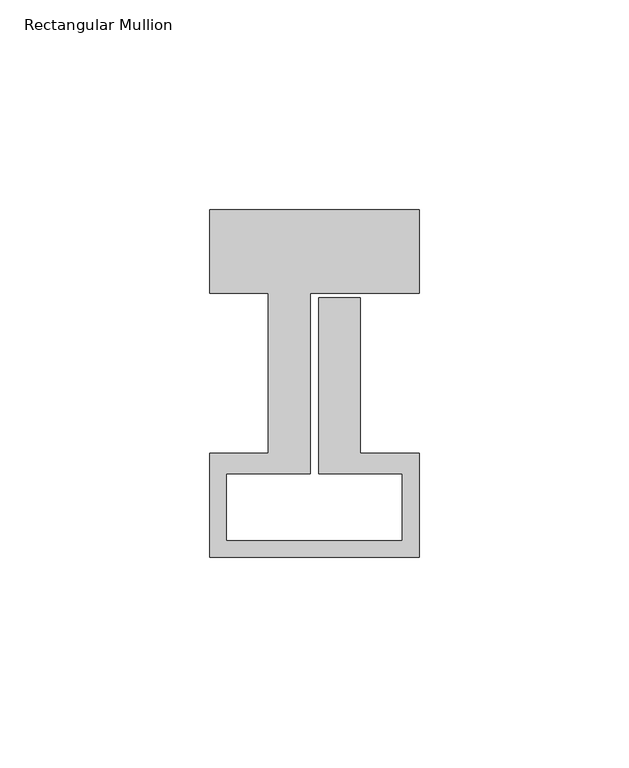
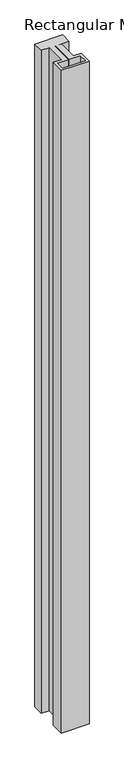
"""IFC4 building model written with IfcOpenShell, lengths in millimetres: member geometry, Rectangular Mullion."""

import ifcopenshell
import ifcopenshell.guid

model = None  # the IFC model being written
_history = None  # IfcOwnerHistory: only IFC2X3 demands one
_inside = {}  # id of a spatial element -> (the spatial element, [elements in it])
_under = {}  # id of a project, library or spatial element -> (it, [spatial elements below it])
_declared = {}  # id of a project -> (the project, [libraries it declares])
_typed = {}  # id of a type object -> (the type object, [elements of that type])
_made_of = {}  # id of a material, layer set ... -> (it, [elements and type objects made of it])


def new_model(schema):
    """Start an empty IFC model of exactly this schema.

    Asked for "IFC4X3", IfcOpenShell would pick the latest addendum, in which some entities
    have other attributes; the version numbers below select the first issue.
    IFC2X3 requires an IfcOwnerHistory on every rooted entity: one is made here for all.
    """
    global model, _history
    if schema == "IFC4X3":
        model = ifcopenshell.file(schema_version=(4, 3, 0, 0))
    else:
        model = ifcopenshell.file(schema=schema)
    _inside.clear()
    _under.clear()
    _declared.clear()
    _typed.clear()
    _made_of.clear()
    _history = None
    if model.schema == "IFC2X3":
        org = make("IfcOrganization", Name="unknown")
        user = make(
            "IfcPersonAndOrganization",
            ThePerson=make("IfcPerson", FamilyName="unknown"),
            TheOrganization=org,
        )
        app = make(
            "IfcApplication",
            ApplicationDeveloper=org,
            Version="unknown",
            ApplicationFullName="unknown",
            ApplicationIdentifier="unknown",
        )
        _history = make(
            "IfcOwnerHistory",
            OwningUser=user,
            OwningApplication=app,
            ChangeAction="ADDED",
            CreationDate=0,
        )
    return model


def make(cls, **values):
    """One entity of the class cls with the attributes given. An attribute that is None is left unset."""
    return model.create_entity(
        cls, **{name: value for name, value in values.items() if value is not None}
    )


def rooted(cls, **values):
    """An entity with a GlobalId (a new one), such as an element, a storey or a relation."""
    return make(cls, GlobalId=ifcopenshell.guid.new(), OwnerHistory=_history, **values)


def si_unit(unit_type, name, prefix=None):
    """IfcSIUnit, for example si_unit("LENGTHUNIT", "METRE", prefix="MILLI")."""
    return make("IfcSIUnit", UnitType=unit_type, Prefix=prefix, Name=name)


def assignment(units):
    """IfcUnitAssignment: the units of a project."""
    return None if units is None else make("IfcUnitAssignment", Units=units)


def point(xyz):
    """IfcCartesianPoint."""
    return None if xyz is None else make("IfcCartesianPoint", Coordinates=xyz)


def direction(xyz):
    """IfcDirection."""
    return None if xyz is None else make("IfcDirection", DirectionRatios=xyz)


def frame(location, z_axis=None, x_axis=None):
    """IfcAxis2Placement3D, a coordinate frame: its origin and axes. An axis left out is left unset."""
    return make(
        "IfcAxis2Placement3D",
        Location=point(location),
        Axis=direction(z_axis),
        RefDirection=direction(x_axis),
    )


def origin():
    """The frame at (0, 0, 0) with its axes left unset."""
    return frame((0.0, 0.0, 0.0))


def place(relative_to, where):
    """IfcLocalPlacement: puts the frame where relative to a parent placement (None: the world)."""
    return make(
        "IfcLocalPlacement", PlacementRelTo=relative_to, RelativePlacement=where
    )


def context(
    kind, dimensions, precision=None, world=None, true_north=None, identifier=None
):
    """IfcGeometricRepresentationContext, for example the 3D "Model" context."""
    return make(
        "IfcGeometricRepresentationContext",
        ContextIdentifier=identifier,
        ContextType=kind,
        CoordinateSpaceDimension=dimensions,
        Precision=precision,
        WorldCoordinateSystem=world,
        TrueNorth=true_north,
    )


def project(units=None, contexts=None):
    """IfcProject with its units and contexts."""
    return rooted(
        "IfcProject",
        Name="project",
        RepresentationContexts=contexts,
        UnitsInContext=assignment(units),
    )


def spatial(cls, under=None, at=None, **own):
    """A site, building, storey or space (cls), placed at a placement, below another one or the project."""
    s = rooted(cls, ObjectPlacement=at, **own)
    if under is not None:
        _under.setdefault(under.id(), (under, []))[1].append(s)
    return s


def polyline(points):
    """IfcPolyline through the points."""
    return make("IfcPolyline", Points=[point(p) for p in points])


def outline(outer, holes=None, kind="AREA"):
    """IfcArbitraryClosedProfileDef: a profile drawn as a closed curve; with holes, ...WithVoids."""
    if holes is None:
        return make("IfcArbitraryClosedProfileDef", ProfileType=kind, OuterCurve=outer)
    return make(
        "IfcArbitraryProfileDefWithVoids",
        ProfileType=kind,
        OuterCurve=outer,
        InnerCurves=holes,
    )


def extrude(swept, where, along, depth):
    """IfcExtrudedAreaSolid: the profile swept, set in the frame where, extruded along a direction by depth."""
    return make(
        "IfcExtrudedAreaSolid",
        SweptArea=swept,
        Position=where,
        ExtrudedDirection=direction(along),
        Depth=depth,
    )


def shape(context_of_items, identifier, shape_type, items):
    """IfcShapeRepresentation: the items that make up one representation, for example the "Body"."""
    return make(
        "IfcShapeRepresentation",
        ContextOfItems=context_of_items,
        RepresentationIdentifier=identifier,
        RepresentationType=shape_type,
        Items=items,
    )


def source(mapping_origin, context_of_items, identifier, shape_type, items):
    """IfcRepresentationMap: a shape defined once, which mapped items show again and again."""
    return make(
        "IfcRepresentationMap",
        MappingOrigin=mapping_origin,
        MappedRepresentation=shape(context_of_items, identifier, shape_type, items),
    )


def transform(
    local_origin,
    x_axis=None,
    y_axis=None,
    z_axis=None,
    scale=None,
    scale2=None,
    scale3=None,
    uniform=True,
):
    """IfcCartesianTransformationOperator3D, or its non-uniform kind. x_axis, y_axis, z_axis: its Axis1, 2, 3."""
    if uniform:
        return make(
            "IfcCartesianTransformationOperator3D",
            Axis1=direction(x_axis),
            Axis2=direction(y_axis),
            LocalOrigin=point(local_origin),
            Scale=scale,
            Axis3=direction(z_axis),
        )
    return make(
        "IfcCartesianTransformationOperator3DnonUniform",
        Axis1=direction(x_axis),
        Axis2=direction(y_axis),
        LocalOrigin=point(local_origin),
        Scale=scale,
        Axis3=direction(z_axis),
        Scale2=scale2,
        Scale3=scale3,
    )


def mapped(mapping_source, mapping_target):
    """IfcMappedItem: shows the shape of a source again, moved by a transform."""
    return make(
        "IfcMappedItem", MappingSource=mapping_source, MappingTarget=mapping_target
    )


def made_of(thing, what):
    """Note that an element or type object is made of a material, layer set ...; save() writes the relation."""
    if what is not None:
        _made_of.setdefault(what.id(), (what, []))[1].append(thing)
    return thing


def element(
    cls,
    number,
    at=None,
    inside=None,
    cuts=None,
    type_object=None,
    material=None,
    context=None,
    identifier="Body",
    shape_type=None,
    held_by="IfcProductDefinitionShape",
    body=None,
    shapes=None,
    **own,
):
    """One element of the class cls, such as IfcWall. Its Tag is "e" and its number.

    at: its placement. inside: the storey or other place that contains it. cuts: it is an
    opening in that element (IfcRelVoidsElement). A single representation is given by context,
    identifier, shape_type and body (its items); several are given by shapes. held_by: the class
    of the entity that holds the representations. save() writes the other relations.
    """
    e = rooted(cls, Tag="e%d" % number, ObjectPlacement=at, **own)
    if body is not None:
        shapes = [shape(context, identifier, shape_type, body)]
    if shapes is not None:
        e.Representation = make(held_by, Representations=shapes)
    if inside is not None:
        _inside.setdefault(inside.id(), (inside, []))[1].append(e)
    if cuts is not None:
        rooted(
            "IfcRelVoidsElement", RelatingBuildingElement=cuts, RelatedOpeningElement=e
        )
    if type_object is not None:
        _typed.setdefault(type_object.id(), (type_object, []))[1].append(e)
    return made_of(e, material)


def aggregate(whole, parts):
    """IfcRelAggregates: a whole, such as a stair, and the parts it consists of."""
    return rooted("IfcRelAggregates", RelatingObject=whole, RelatedObjects=parts)


def save(model, path):
    """Write the relations noted so far, then the file.

    IfcRelAggregates (storeys below a building ...), IfcRelContainedInSpatialStructure (elements
    in a storey), IfcRelDefinesByType, IfcRelAssociatesMaterial and IfcRelDeclares: one each for
    every whole, place, type object, material and project.
    """
    for whole, parts in _under.values():
        aggregate(whole, parts)
    for where, things in _inside.values():
        rooted(
            "IfcRelContainedInSpatialStructure",
            RelatedElements=things,
            RelatingStructure=where,
        )
    for kind, things in _typed.values():
        rooted("IfcRelDefinesByType", RelatedObjects=things, RelatingType=kind)
    for what, things in _made_of.values():
        rooted("IfcRelAssociatesMaterial", RelatedObjects=things, RelatingMaterial=what)
    for by, libraries in _declared.values():
        rooted("IfcRelDeclares", RelatingContext=by, RelatedDefinitions=libraries)
    model.write(path)


def rectangular_mullion_9347c0d1(model_context):
    return source(origin(), model_context, "Body", "SweptSolid", [
        extrude(outline(polyline([(-50.0, 58.0), (0.0, 58.0), (0.0, 38.0), (-26.0, 38.0), (-26.0, -5.0), (-46.0, -5.0), (-46.0, -21.0), (-4.0, -21.0), (-4.0, -5.0), (-24.0, -5.0), (-24.0, 37.0), (-14.0, 37.0), (-14.0, -0.1), (0.0, -0.1), (0.0, -25.0), (-50.0, -25.0), (-50.0, -0.1), (-36.0, -0.1), (-36.0, 38.0), (-50.0, 38.0), (-50.0, 58.0)])), frame((0.0, 0.0, -1268.0), z_axis=(0.0, 0.0, 1.0), x_axis=(1.0, 0.0, 0.0)), (0.0, 0.0, 1.0), 1268.0),
    ])


if __name__ == "__main__":
    model = new_model("IFC4")
    model_context = context("Model", 3, world=origin())
    ifc_project = project(units=[si_unit("LENGTHUNIT", "METRE", prefix="MILLI")], contexts=[model_context])
    site = spatial("IfcSite", under=ifc_project)
    building = spatial("IfcBuilding", under=site)
    placement = place(None, origin())
    rectangular_mullion_shape = rectangular_mullion_9347c0d1(model_context)
    element("IfcMember", 1, ObjectType="Rectangular Mullion", at=placement, inside=building, context=model_context, shape_type="MappedRepresentation", body=[
        mapped(rectangular_mullion_shape, transform((0.0, 0.0, 0.0), x_axis=(1.0, 0.0, 0.0), y_axis=(0.0, 1.0, 0.0), z_axis=(0.0, 0.0, 1.0))),
    ])
    save(model, "model.ifc")
